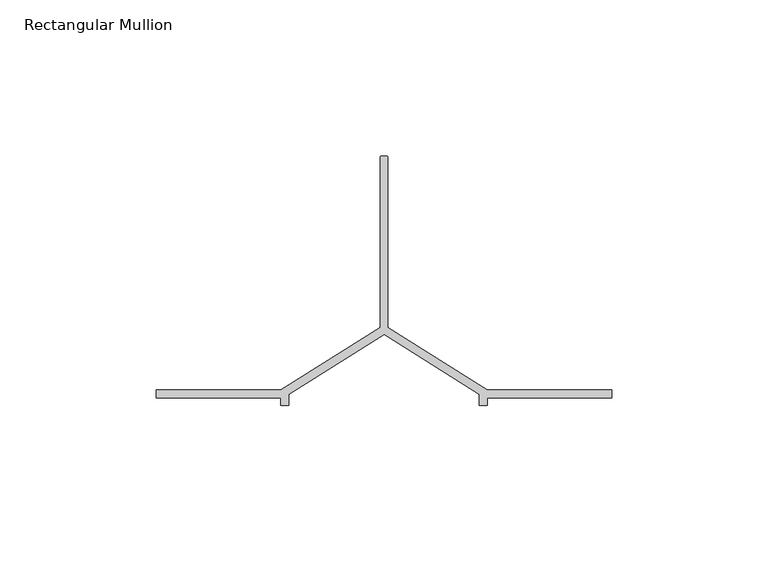
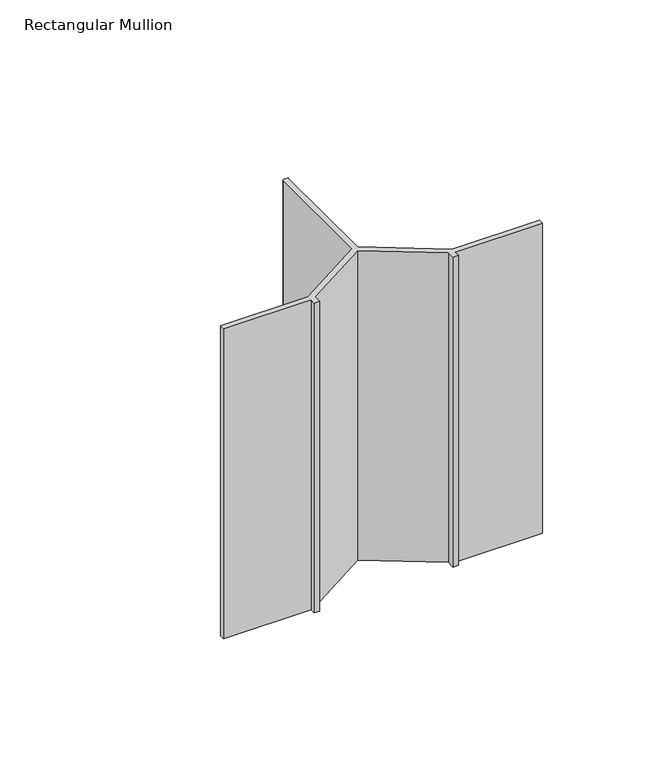
"""IFC4 building model written with IfcOpenShell, lengths in millimetres: member geometry, Rectangular Mullion."""

from ifc_helpers import new_model, si_unit, point, frame, frame_2d, origin, place, context, project, spatial, polyline, circle_curve, trimmed, segment, composite_curve, outline, extrude, source, transform, mapped, element, save


def rectangular_mullion_06823307(model_context):
    return source(origin(), model_context, "Body", "SweptSolid", [
        extrude(outline(composite_curve([segment(trimmed(circle_curve(frame_2d((-72.25, -69.0)), 0.5), [point((-72.25, -68.5))], [point((-71.75, -69.0))], False, "CARTESIAN"), True, "CONTINUOUS"), segment(polyline([(-71.75, -69.0), (-71.75, -123.5), (-40.0, -143.5), (0.0, -143.5), (0.0, -146.0), (-40.0, -146.0), (-40.0, -148.5), (-42.5, -148.5), (-42.5, -144.879855), (-73.0, -125.6672566), (-103.5, -144.879855), (-103.5, -148.5), (-106.0, -148.5), (-106.0, -146.0), (-146.0, -146.0), (-146.0, -143.5), (-106.0, -143.5), (-74.25, -123.5), (-74.25, -69.0)]), True, "CONTINUOUS"), segment(trimmed(circle_curve(frame_2d((-73.75, -69.0)), 0.5), [point((-74.25, -69.0))], [point((-73.75, -68.5))], False, "CARTESIAN"), True, "CONTINUOUS"), segment(polyline([(-73.75, -68.5), (-72.25, -68.5)]), True, "CONTINUOUS")], self_intersect=False)), frame((0.0, 0.0, -150.0), z_axis=(0.0, 0.0, 1.0), x_axis=(1.0, 0.0, 0.0)), (0.0, 0.0, 1.0), 150.0),
    ])


if __name__ == "__main__":
    model = new_model("IFC4")
    model_context = context("Model", 3, world=origin())
    ifc_project = project(units=[si_unit("LENGTHUNIT", "METRE", prefix="MILLI")], contexts=[model_context])
    site = spatial("IfcSite", under=ifc_project)
    building = spatial("IfcBuilding", under=site)
    placement = place(None, origin())
    rectangular_mullion_shape = rectangular_mullion_06823307(model_context)
    element("IfcMember", 1, ObjectType="Rectangular Mullion", at=placement, inside=building, context=model_context, shape_type="MappedRepresentation", body=[
        mapped(rectangular_mullion_shape, transform((0.0, 0.0, 0.0), x_axis=(1.0, 0.0, 0.0), y_axis=(0.0, 1.0, 0.0), z_axis=(0.0, 0.0, 1.0))),
    ])
    save(model, "model.ifc")
